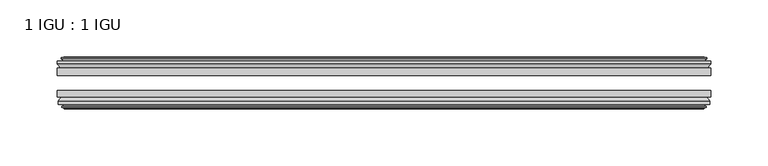
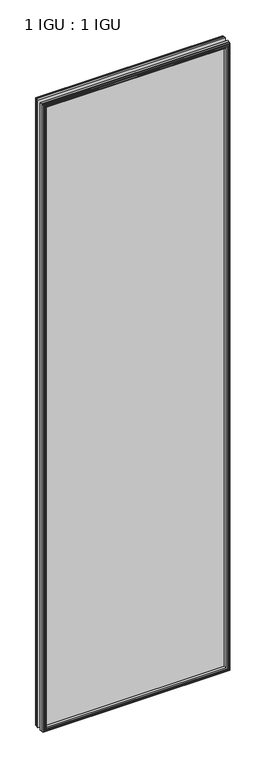
"""IFC4 building model written with IfcOpenShell, lengths in millimetres: plate geometry, 1 IGU : 1 IGU."""

from ifc_helpers import new_model, si_unit, frame, origin, place, context, project, spatial, polyline, outline, extrude, faceted_brep, source, transform, mapped, element, save


def plate_1_igu_1_igu_3c7f10da(model_context):
    return source(origin(), model_context, "Body", "SolidModel", [
        extrude(outline(polyline([(285.75, -25.8960937), (285.75, -32.2460938), (-285.75, -32.2460938), (-285.75, -25.8960937), (285.75, -25.8960937)])), frame((0.0, 0.0, -12.7), z_axis=(0.0, 0.0, 1.0), x_axis=(1.0, 0.0, 0.0)), (0.0, 0.0, 1.0), 2019.3),
        extrude(outline(polyline([(-285.75, -51.2960938), (-285.75, -45.2686737), (285.75, -45.2686737), (285.75, -51.2960938), (-285.75, -51.2960938)])), frame((0.0, 0.0, -12.7), z_axis=(0.0, 0.0, 1.0), x_axis=(1.0, 0.0, 0.0)), (0.0, 0.0, 1.0), 2019.3),
        faceted_brep([(-280.162, -60.0262907, 2001.012), (-280.543, -57.6460937, 2001.393), (-280.543, -57.6460937, -7.493), (-280.162, -60.0262907, -7.112), (-281.5775291, -59.5663575, 2002.4275291), (-281.5775291, -59.5663575, -8.5275291), (-281.5775291, -60.3675717, 2002.4275291), (-281.5775291, -60.3675717, -8.5275291), (-279.4, -61.0750937, 2000.25), (-279.4, -61.0750937, -6.35), (-277.2224709, -60.3675717, 1998.0724709), (-277.2224709, -60.3675717, -4.1724709), (-277.2224709, -59.5663575, 1998.0724709), (-277.2224709, -59.5663575, -4.1724709), (-278.638, -60.0262907, 1999.488), (-278.638, -60.0262907, -5.588), (-278.257, -57.6460937, 1999.107), (-278.257, -57.6460937, -5.207), (-271.3322819, -51.2960937, 1992.1822819), (-273.05, -57.6460937, 1993.9), (-273.05, -57.6460937, 0.0), (-271.3322819, -51.2960937, 1.7177181), (-284.988, -54.6996937, 2005.838), (-282.1536578, -51.2960937, 2003.0036578), (-282.1536578, -51.2960937, -9.1036578), (-284.988, -54.6996937, -11.938), (-284.988, -57.6460937, 2005.838), (-284.988, -57.6460937, -11.938), (280.543, -57.6460938, -7.493), (280.162, -60.0262907, -7.112), (281.5775291, -59.5663575, -8.5275291), (281.5775291, -60.3675717, -8.5275291), (279.4, -61.0750937, -6.35), (277.2224709, -60.3675717, -4.1724709), (277.2224709, -59.5663575, -4.1724709), (278.638, -60.0262907, -5.588), (278.257, -57.6460937, -5.207), (273.05, -57.6460937, 0.0), (271.3322819, -51.2960937, 1.7177181), (282.1536578, -51.2960937, -9.1036578), (284.988, -54.6996937, -11.938), (284.988, -57.6460938, -11.938), (280.543, -57.6460938, 2001.393), (280.162, -60.0262907, 2001.012), (281.5775291, -59.5663575, 2002.4275291), (281.5775291, -60.3675717, 2002.4275291), (279.4, -61.0750937, 2000.25), (277.2224709, -60.3675717, 1998.0724709), (277.2224709, -59.5663575, 1998.0724709), (278.638, -60.0262907, 1999.488), (278.257, -57.6460937, 1999.107), (273.05, -57.6460937, 1993.9), (271.3322819, -51.2960937, 1992.1822819), (282.1536578, -51.2960937, 2003.0036578), (284.988, -54.6996937, 2005.838), (284.988, -57.6460938, 2005.838)], [[[0, 1, 2, 3]], [[4, 0, 3, 5]], [[6, 4, 5, 7]], [[8, 6, 7, 9]], [[10, 8, 9, 11]], [[12, 10, 11, 13]], [[14, 12, 13, 15]], [[16, 14, 15, 17]], [[18, 19, 20, 21]], [[22, 23, 24, 25]], [[26, 22, 25, 27]], [[3, 2, 28, 29]], [[5, 3, 29, 30]], [[7, 5, 30, 31]], [[9, 7, 31, 32]], [[11, 9, 32, 33]], [[13, 11, 33, 34]], [[15, 13, 34, 35]], [[17, 15, 35, 36]], [[21, 20, 37, 38]], [[25, 24, 39, 40]], [[27, 25, 40, 41]], [[29, 28, 42, 43]], [[30, 29, 43, 44]], [[31, 30, 44, 45]], [[32, 31, 45, 46]], [[33, 32, 46, 47]], [[34, 33, 47, 48]], [[35, 34, 48, 49]], [[36, 35, 49, 50]], [[38, 37, 51, 52]], [[40, 39, 53, 54]], [[41, 40, 54, 55]], [[27, 41, 55, 26], [1, 42, 28, 2]], [[43, 42, 1, 0]], [[44, 43, 0, 4]], [[45, 44, 4, 6]], [[46, 45, 6, 8]], [[47, 46, 8, 10]], [[48, 47, 10, 12]], [[49, 48, 12, 14]], [[50, 49, 14, 16]], [[17, 36, 50, 16], [19, 51, 37, 20]], [[52, 51, 19, 18]], [[23, 53, 39, 24], [21, 38, 52, 18]], [[54, 53, 23, 22]], [[55, 54, 22, 26]]]),
        faceted_brep([(-282.6743578, -25.8960937, 2003.5243578), (-285.5087, -22.4924937, 2006.3587), (-285.5087, -22.4924937, -12.4587), (-282.6743578, -25.8960937, -9.6243578), (-273.5707, -19.5460937, 1994.4207), (-271.8529819, -25.8960937, 1992.7029819), (-271.8529819, -25.8960937, 1.1970181), (-273.5707, -19.5460937, -0.5207), (-279.1587, -17.1658968, 2000.0087), (-278.7777, -19.5460937, 1999.6277), (-278.7777, -19.5460937, -5.7277), (-279.1587, -17.1658968, -6.1087), (-277.7431709, -17.62583, 1998.5931709), (-277.7431709, -17.62583, -4.6931709), (-277.7431709, -16.8246158, 1998.5931709), (-277.7431709, -16.8246158, -4.6931709), (-279.9207, -16.1170937, 2000.7707), (-279.9207, -16.1170937, -6.8707), (-282.0982291, -16.8246158, 2002.9482291), (-282.0982291, -16.8246158, -9.0482291), (-282.0982291, -17.62583, 2002.9482291), (-282.0982291, -17.62583, -9.0482291), (-280.6827, -17.1658968, 2001.5327), (-280.6827, -17.1658968, -7.6327), (-281.0637, -19.5460937, 2001.9137), (-281.0637, -19.5460937, -8.0137), (-285.5087, -19.5460937, 2006.3587), (-285.5087, -19.5460937, -12.4587), (285.5087, -22.4924937, -12.4587), (282.6743578, -25.8960937, -9.6243578), (271.8529819, -25.8960937, 1.1970181), (273.5707, -19.5460937, -0.5207), (278.7777, -19.5460937, -5.7277), (279.1587, -17.1658968, -6.1087), (277.7431709, -17.62583, -4.6931709), (277.7431709, -16.8246158, -4.6931709), (279.9207, -16.1170937, -6.8707), (282.0982291, -16.8246158, -9.0482291), (282.0982291, -17.62583, -9.0482291), (280.6827, -17.1658968, -7.6327), (281.0637, -19.5460937, -8.0137), (285.5087, -19.5460937, -12.4587), (285.5087, -22.4924937, 2006.3587), (282.6743578, -25.8960937, 2003.5243578), (271.8529819, -25.8960937, 1992.7029819), (273.5707, -19.5460937, 1994.4207), (278.7777, -19.5460937, 1999.6277), (279.1587, -17.1658968, 2000.0087), (277.7431709, -17.62583, 1998.5931709), (277.7431709, -16.8246158, 1998.5931709), (279.9207, -16.1170937, 2000.7707), (282.0982291, -16.8246158, 2002.9482291), (282.0982291, -17.62583, 2002.9482291), (280.6827, -17.1658968, 2001.5327), (281.0637, -19.5460937, 2001.9137), (285.5087, -19.5460937, 2006.3587)], [[[0, 1, 2, 3]], [[4, 5, 6, 7]], [[8, 9, 10, 11]], [[12, 8, 11, 13]], [[14, 12, 13, 15]], [[16, 14, 15, 17]], [[18, 16, 17, 19]], [[20, 18, 19, 21]], [[22, 20, 21, 23]], [[24, 22, 23, 25]], [[1, 26, 27, 2]], [[3, 2, 28, 29]], [[7, 6, 30, 31]], [[11, 10, 32, 33]], [[13, 11, 33, 34]], [[15, 13, 34, 35]], [[17, 15, 35, 36]], [[19, 17, 36, 37]], [[21, 19, 37, 38]], [[23, 21, 38, 39]], [[25, 23, 39, 40]], [[2, 27, 41, 28]], [[29, 28, 42, 43]], [[31, 30, 44, 45]], [[33, 32, 46, 47]], [[34, 33, 47, 48]], [[35, 34, 48, 49]], [[36, 35, 49, 50]], [[37, 36, 50, 51]], [[38, 37, 51, 52]], [[39, 38, 52, 53]], [[40, 39, 53, 54]], [[28, 41, 55, 42]], [[43, 42, 1, 0]], [[3, 29, 43, 0], [5, 44, 30, 6]], [[45, 44, 5, 4]], [[9, 46, 32, 10], [7, 31, 45, 4]], [[47, 46, 9, 8]], [[48, 47, 8, 12]], [[49, 48, 12, 14]], [[50, 49, 14, 16]], [[51, 50, 16, 18]], [[52, 51, 18, 20]], [[53, 52, 20, 22]], [[54, 53, 22, 24]], [[26, 55, 41, 27], [25, 40, 54, 24]], [[42, 55, 26, 1]]]),
    ])


if __name__ == "__main__":
    model = new_model("IFC4")
    model_context = context("Model", 3, world=origin())
    ifc_project = project(units=[si_unit("LENGTHUNIT", "METRE", prefix="MILLI")], contexts=[model_context])
    site = spatial("IfcSite", under=ifc_project)
    building = spatial("IfcBuilding", under=site)
    placement = place(None, origin())
    plate_1_igu_1_igu_shape = plate_1_igu_1_igu_3c7f10da(model_context)
    element("IfcPlate", 1, ObjectType="1 IGU : 1 IGU", at=placement, inside=building, context=model_context, shape_type="MappedRepresentation", body=[
        mapped(plate_1_igu_1_igu_shape, transform((0.0, 0.0, 0.0), x_axis=(1.0, 0.0, 0.0), y_axis=(0.0, 1.0, 0.0), z_axis=(0.0, 0.0, 1.0))),
    ])
    save(model, "model.ifc")
